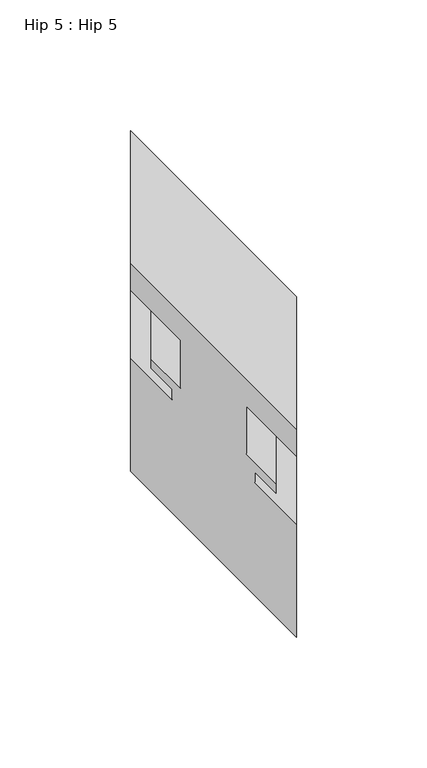
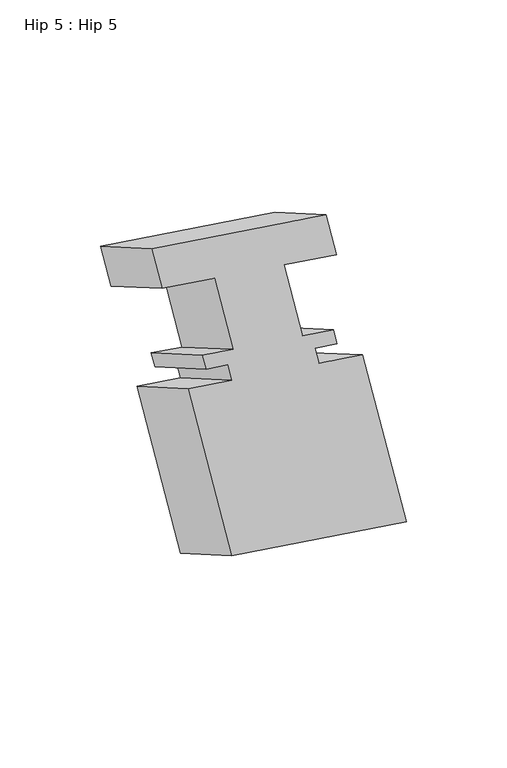
"""IFC4 building model written with IfcOpenShell, lengths in millimetres: proxy geometry, Hip 5 : Hip 5."""

from ifc_helpers import new_model, si_unit, origin, place, context, project, spatial, faceted_brep, source, transform, mapped, element, save


def hip_5_hip_5_bff9193a(model_context):
    return source(origin(), model_context, "Body", "Brep", [
        faceted_brep([(-10741.0192107, 10993.9823081, 683.5749555), (-10741.0192107, 11044.6497885, 654.3220721), (-10804.5192107, 11108.1497885, 617.66033), (-10804.5192107, 11057.4823081, 646.9132135), (-10741.0192107, 10983.6635581, 665.7023563), (-10741.0192107, 11034.3310385, 636.4494728), (-10760.0692107, 11002.6945081, 654.6708381), (-10760.0692107, 11053.3619885, 625.4179546), (-10760.0692107, 10984.3164175, 622.8390514), (-10760.0692107, 11034.9838979, 593.5861679), (-10748.9440107, 10973.1912175, 629.2621886), (-10748.9440107, 11023.8586979, 600.0093051), (-10748.9440107, 10969.5602081, 622.9730959), (-10748.9440107, 11020.2276885, 593.7202124), (-10756.8942107, 10977.5104081, 618.3830458), (-10756.8942107, 11028.1778885, 589.1301623), (-10756.8942107, 10973.5607081, 611.5419647), (-10756.8942107, 11024.2281885, 582.2890812), (-10741.0192107, 10957.6857081, 620.7074002), (-10741.0192107, 11008.3531885, 591.4545167), (-10741.0192107, 10914.4168081, 545.763467), (-10741.0192107, 10965.0842885, 516.5105835), (-10804.5192107, 10977.9168081, 509.1017249), (-10804.5192107, 11028.5842885, 479.8488415), (-10804.5192107, 11021.1857081, 584.0456581), (-10804.5192107, 11071.8531885, 554.7927746), (-10788.6442107, 11005.3107081, 593.2110936), (-10788.6442107, 11055.9781885, 563.9582102), (-10788.6442107, 11009.2604081, 600.0521747), (-10788.6442107, 11059.9278885, 570.7992912), (-10796.5944107, 11017.2106081, 595.4621246), (-10796.5944107, 11067.8780885, 566.2092411), (-10796.5944107, 11020.7920081, 601.6652914), (-10796.5944107, 11071.4594885, 572.4124079), (-10785.4692107, 11009.6668081, 608.0884286), (-10785.4692107, 11060.3342885, 578.8355451), (-10785.4692107, 11028.0945081, 640.0061412), (-10785.4692107, 11078.7619885, 610.7532578), (-10804.5192107, 11047.1445081, 629.0076186), (-10804.5192107, 11097.8119885, 599.7547351)], [[[0, 1, 2, 3]], [[1, 0, 4, 5]], [[5, 4, 6, 7]], [[7, 6, 8, 9]], [[9, 8, 10, 11]], [[11, 10, 12, 13]], [[13, 12, 14, 15]], [[15, 14, 16, 17]], [[17, 16, 18, 19]], [[19, 18, 20, 21]], [[21, 20, 22, 23]], [[23, 22, 24, 25]], [[25, 24, 26, 27]], [[27, 26, 28, 29]], [[29, 28, 30, 31]], [[31, 30, 32, 33]], [[33, 32, 34, 35]], [[35, 34, 36, 37]], [[37, 36, 38, 39]], [[39, 38, 3, 2]], [[2, 1, 5, 7, 9, 11, 13, 15, 17, 19, 21, 23, 25, 27, 29, 31, 33, 35, 37, 39]], [[0, 3, 38, 36, 34, 32, 30, 28, 26, 24, 22, 20, 18, 16, 14, 12, 10, 8, 6, 4]]]),
    ])


if __name__ == "__main__":
    model = new_model("IFC4")
    model_context = context("Model", 3, world=origin())
    ifc_project = project(units=[si_unit("LENGTHUNIT", "METRE", prefix="MILLI")], contexts=[model_context])
    site = spatial("IfcSite", under=ifc_project)
    building = spatial("IfcBuilding", under=site)
    placement = place(None, origin())
    hip_5_hip_5_shape = hip_5_hip_5_bff9193a(model_context)
    element("IfcBuildingElementProxy", 1, Name="Hip 5 : Hip 5", ObjectType="Hip 5 : Hip 5", at=placement, inside=building, context=model_context, shape_type="MappedRepresentation", body=[
        mapped(hip_5_hip_5_shape, transform((0.0, 0.0, 0.0), x_axis=(1.0, 0.0, 0.0), y_axis=(0.0, 1.0, 0.0), z_axis=(0.0, 0.0, 1.0))),
    ])
    save(model, "model.ifc")
